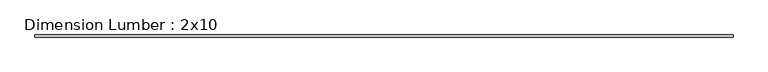
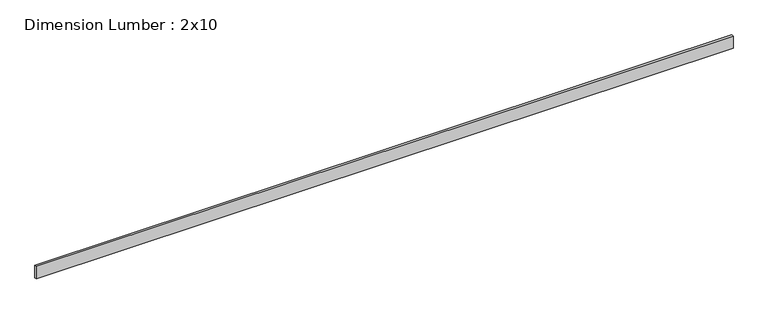
"""IFC4 building model written with IfcOpenShell, lengths in millimetres: beam geometry, Dimension Lumber : 2x10."""

from ifc_helpers import new_model, si_unit, frame, origin, place, context, project, spatial, polyline, outline, extrude, source, transform, mapped, element, save


def dimension_lumber_2x10_b890ed37(model_context):
    return source(origin(), model_context, "Body", "SweptSolid", [
        extrude(outline(polyline([(6266.5536957, 19.05), (6266.5536957, -19.05), (-6266.5536957, -19.05), (-6266.5536957, 19.05), (6266.5536957, 19.05)])), frame((0.0, 0.0, -117.475), z_axis=(0.0, 0.0, 1.0), x_axis=(1.0, 0.0, 0.0)), (0.0, 0.0, 1.0), 234.95),
    ])


if __name__ == "__main__":
    model = new_model("IFC4")
    model_context = context("Model", 3, world=origin())
    ifc_project = project(units=[si_unit("LENGTHUNIT", "METRE", prefix="MILLI")], contexts=[model_context])
    site = spatial("IfcSite", under=ifc_project)
    building = spatial("IfcBuilding", under=site)
    placement = place(None, origin())
    dimension_lumber_2x10_shape = dimension_lumber_2x10_b890ed37(model_context)
    element("IfcBeam", 1, ObjectType="Dimension Lumber : 2x10", at=placement, inside=building, context=model_context, shape_type="MappedRepresentation", body=[
        mapped(dimension_lumber_2x10_shape, transform((0.0, 0.0, 0.0), x_axis=(1.0, 0.0, 0.0), y_axis=(0.0, 1.0, 0.0), z_axis=(0.0, 0.0, 1.0))),
    ])
    save(model, "model.ifc")
